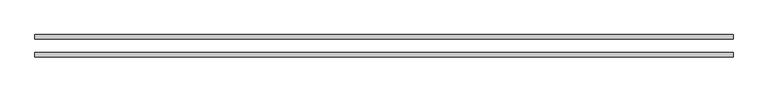
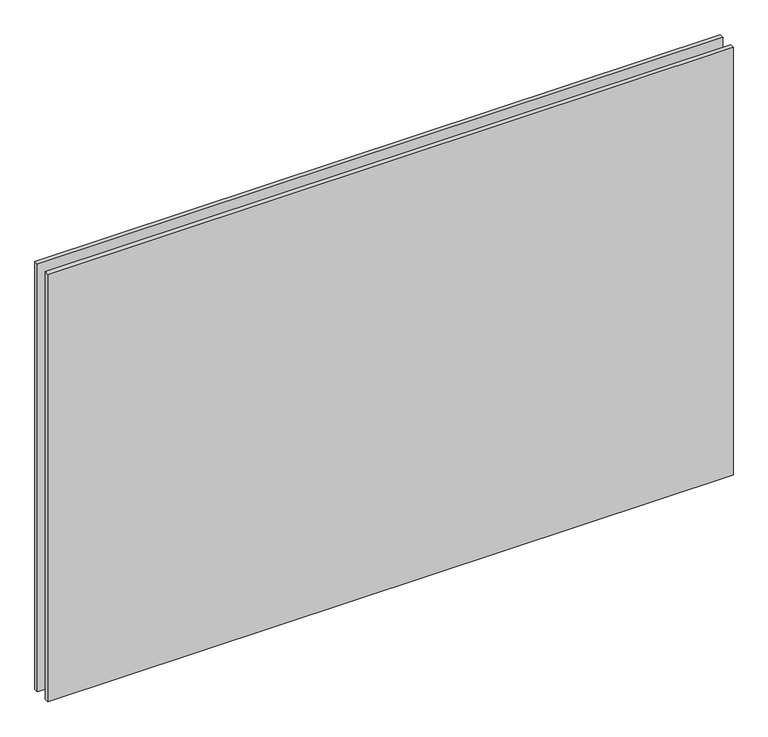
"""IFC4 building model written with IfcOpenShell, lengths in millimetres: plate geometry."""

import ifcopenshell
import ifcopenshell.guid

model = None  # the IFC model being written
_history = None  # IfcOwnerHistory: only IFC2X3 demands one
_inside = {}  # id of a spatial element -> (the spatial element, [elements in it])
_under = {}  # id of a project, library or spatial element -> (it, [spatial elements below it])
_declared = {}  # id of a project -> (the project, [libraries it declares])
_typed = {}  # id of a type object -> (the type object, [elements of that type])
_made_of = {}  # id of a material, layer set ... -> (it, [elements and type objects made of it])


def new_model(schema):
    """Start an empty IFC model of exactly this schema.

    Asked for "IFC4X3", IfcOpenShell would pick the latest addendum, in which some entities
    have other attributes; the version numbers below select the first issue.
    IFC2X3 requires an IfcOwnerHistory on every rooted entity: one is made here for all.
    """
    global model, _history
    if schema == "IFC4X3":
        model = ifcopenshell.file(schema_version=(4, 3, 0, 0))
    else:
        model = ifcopenshell.file(schema=schema)
    _inside.clear()
    _under.clear()
    _declared.clear()
    _typed.clear()
    _made_of.clear()
    _history = None
    if model.schema == "IFC2X3":
        org = make("IfcOrganization", Name="unknown")
        user = make(
            "IfcPersonAndOrganization",
            ThePerson=make("IfcPerson", FamilyName="unknown"),
            TheOrganization=org,
        )
        app = make(
            "IfcApplication",
            ApplicationDeveloper=org,
            Version="unknown",
            ApplicationFullName="unknown",
            ApplicationIdentifier="unknown",
        )
        _history = make(
            "IfcOwnerHistory",
            OwningUser=user,
            OwningApplication=app,
            ChangeAction="ADDED",
            CreationDate=0,
        )
    return model


def make(cls, **values):
    """One entity of the class cls with the attributes given. An attribute that is None is left unset."""
    return model.create_entity(
        cls, **{name: value for name, value in values.items() if value is not None}
    )


def rooted(cls, **values):
    """An entity with a GlobalId (a new one), such as an element, a storey or a relation."""
    return make(cls, GlobalId=ifcopenshell.guid.new(), OwnerHistory=_history, **values)


def si_unit(unit_type, name, prefix=None):
    """IfcSIUnit, for example si_unit("LENGTHUNIT", "METRE", prefix="MILLI")."""
    return make("IfcSIUnit", UnitType=unit_type, Prefix=prefix, Name=name)


def assignment(units):
    """IfcUnitAssignment: the units of a project."""
    return None if units is None else make("IfcUnitAssignment", Units=units)


def point(xyz):
    """IfcCartesianPoint."""
    return None if xyz is None else make("IfcCartesianPoint", Coordinates=xyz)


def direction(xyz):
    """IfcDirection."""
    return None if xyz is None else make("IfcDirection", DirectionRatios=xyz)


def frame(location, z_axis=None, x_axis=None):
    """IfcAxis2Placement3D, a coordinate frame: its origin and axes. An axis left out is left unset."""
    return make(
        "IfcAxis2Placement3D",
        Location=point(location),
        Axis=direction(z_axis),
        RefDirection=direction(x_axis),
    )


def origin():
    """The frame at (0, 0, 0) with its axes left unset."""
    return frame((0.0, 0.0, 0.0))


def origin_with_axes():
    """The frame at (0, 0, 0) with the z axis (0, 0, 1) and the x axis (1, 0, 0) written out."""
    return frame((0.0, 0.0, 0.0), z_axis=(0.0, 0.0, 1.0), x_axis=(1.0, 0.0, 0.0))


def place(relative_to, where):
    """IfcLocalPlacement: puts the frame where relative to a parent placement (None: the world)."""
    return make(
        "IfcLocalPlacement", PlacementRelTo=relative_to, RelativePlacement=where
    )


def context(
    kind, dimensions, precision=None, world=None, true_north=None, identifier=None
):
    """IfcGeometricRepresentationContext, for example the 3D "Model" context."""
    return make(
        "IfcGeometricRepresentationContext",
        ContextIdentifier=identifier,
        ContextType=kind,
        CoordinateSpaceDimension=dimensions,
        Precision=precision,
        WorldCoordinateSystem=world,
        TrueNorth=true_north,
    )


def project(units=None, contexts=None):
    """IfcProject with its units and contexts."""
    return rooted(
        "IfcProject",
        Name="project",
        RepresentationContexts=contexts,
        UnitsInContext=assignment(units),
    )


def spatial(cls, under=None, at=None, **own):
    """A site, building, storey or space (cls), placed at a placement, below another one or the project."""
    s = rooted(cls, ObjectPlacement=at, **own)
    if under is not None:
        _under.setdefault(under.id(), (under, []))[1].append(s)
    return s


def polyline(points):
    """IfcPolyline through the points."""
    return make("IfcPolyline", Points=[point(p) for p in points])


def outline(outer, holes=None, kind="AREA"):
    """IfcArbitraryClosedProfileDef: a profile drawn as a closed curve; with holes, ...WithVoids."""
    if holes is None:
        return make("IfcArbitraryClosedProfileDef", ProfileType=kind, OuterCurve=outer)
    return make(
        "IfcArbitraryProfileDefWithVoids",
        ProfileType=kind,
        OuterCurve=outer,
        InnerCurves=holes,
    )


def extrude(swept, where, along, depth):
    """IfcExtrudedAreaSolid: the profile swept, set in the frame where, extruded along a direction by depth."""
    return make(
        "IfcExtrudedAreaSolid",
        SweptArea=swept,
        Position=where,
        ExtrudedDirection=direction(along),
        Depth=depth,
    )


def shape(context_of_items, identifier, shape_type, items):
    """IfcShapeRepresentation: the items that make up one representation, for example the "Body"."""
    return make(
        "IfcShapeRepresentation",
        ContextOfItems=context_of_items,
        RepresentationIdentifier=identifier,
        RepresentationType=shape_type,
        Items=items,
    )


def source(mapping_origin, context_of_items, identifier, shape_type, items):
    """IfcRepresentationMap: a shape defined once, which mapped items show again and again."""
    return make(
        "IfcRepresentationMap",
        MappingOrigin=mapping_origin,
        MappedRepresentation=shape(context_of_items, identifier, shape_type, items),
    )


def transform(
    local_origin,
    x_axis=None,
    y_axis=None,
    z_axis=None,
    scale=None,
    scale2=None,
    scale3=None,
    uniform=True,
):
    """IfcCartesianTransformationOperator3D, or its non-uniform kind. x_axis, y_axis, z_axis: its Axis1, 2, 3."""
    if uniform:
        return make(
            "IfcCartesianTransformationOperator3D",
            Axis1=direction(x_axis),
            Axis2=direction(y_axis),
            LocalOrigin=point(local_origin),
            Scale=scale,
            Axis3=direction(z_axis),
        )
    return make(
        "IfcCartesianTransformationOperator3DnonUniform",
        Axis1=direction(x_axis),
        Axis2=direction(y_axis),
        LocalOrigin=point(local_origin),
        Scale=scale,
        Axis3=direction(z_axis),
        Scale2=scale2,
        Scale3=scale3,
    )


def mapped(mapping_source, mapping_target):
    """IfcMappedItem: shows the shape of a source again, moved by a transform."""
    return make(
        "IfcMappedItem", MappingSource=mapping_source, MappingTarget=mapping_target
    )


def made_of(thing, what):
    """Note that an element or type object is made of a material, layer set ...; save() writes the relation."""
    if what is not None:
        _made_of.setdefault(what.id(), (what, []))[1].append(thing)
    return thing


def element(
    cls,
    number,
    at=None,
    inside=None,
    cuts=None,
    type_object=None,
    material=None,
    context=None,
    identifier="Body",
    shape_type=None,
    held_by="IfcProductDefinitionShape",
    body=None,
    shapes=None,
    **own,
):
    """One element of the class cls, such as IfcWall. Its Tag is "e" and its number.

    at: its placement. inside: the storey or other place that contains it. cuts: it is an
    opening in that element (IfcRelVoidsElement). A single representation is given by context,
    identifier, shape_type and body (its items); several are given by shapes. held_by: the class
    of the entity that holds the representations. save() writes the other relations.
    """
    e = rooted(cls, Tag="e%d" % number, ObjectPlacement=at, **own)
    if body is not None:
        shapes = [shape(context, identifier, shape_type, body)]
    if shapes is not None:
        e.Representation = make(held_by, Representations=shapes)
    if inside is not None:
        _inside.setdefault(inside.id(), (inside, []))[1].append(e)
    if cuts is not None:
        rooted(
            "IfcRelVoidsElement", RelatingBuildingElement=cuts, RelatedOpeningElement=e
        )
    if type_object is not None:
        _typed.setdefault(type_object.id(), (type_object, []))[1].append(e)
    return made_of(e, material)


def aggregate(whole, parts):
    """IfcRelAggregates: a whole, such as a stair, and the parts it consists of."""
    return rooted("IfcRelAggregates", RelatingObject=whole, RelatedObjects=parts)


def save(model, path):
    """Write the relations noted so far, then the file.

    IfcRelAggregates (storeys below a building ...), IfcRelContainedInSpatialStructure (elements
    in a storey), IfcRelDefinesByType, IfcRelAssociatesMaterial and IfcRelDeclares: one each for
    every whole, place, type object, material and project.
    """
    for whole, parts in _under.values():
        aggregate(whole, parts)
    for where, things in _inside.values():
        rooted(
            "IfcRelContainedInSpatialStructure",
            RelatedElements=things,
            RelatingStructure=where,
        )
    for kind, things in _typed.values():
        rooted("IfcRelDefinesByType", RelatedObjects=things, RelatingType=kind)
    for what, things in _made_of.values():
        rooted("IfcRelAssociatesMaterial", RelatedObjects=things, RelatingMaterial=what)
    for by, libraries in _declared.values():
        rooted("IfcRelDeclares", RelatingContext=by, RelatedDefinitions=libraries)
    model.write(path)


def plate_4122e667(model_context):
    return source(origin(), model_context, "Body", "SweptSolid", [
        extrude(outline(polyline([(625.0, -48.3), (-625.0, -48.3), (-625.0, -40.3), (625.0, -40.3), (625.0, -48.3)])), origin_with_axes(), (0.0, 0.0, 1.0), 825.0),
        extrude(outline(polyline([(625.0, -16.3), (-625.0, -16.3), (-625.0, -8.3), (625.0, -8.3), (625.0, -16.3)])), origin_with_axes(), (0.0, 0.0, 1.0), 825.0),
    ])


if __name__ == "__main__":
    model = new_model("IFC4")
    model_context = context("Model", 3, world=origin())
    ifc_project = project(units=[si_unit("LENGTHUNIT", "METRE", prefix="MILLI")], contexts=[model_context])
    site = spatial("IfcSite", under=ifc_project)
    building = spatial("IfcBuilding", under=site)
    placement = place(None, origin())
    plate_shape = plate_4122e667(model_context)
    element("IfcPlate", 1, at=placement, inside=building, context=model_context, shape_type="MappedRepresentation", body=[
        mapped(plate_shape, transform((0.0, 0.0, 0.0), x_axis=(1.0, 0.0, 0.0), y_axis=(0.0, 1.0, 0.0), z_axis=(0.0, 0.0, 1.0))),
    ])
    save(model, "model.ifc")
